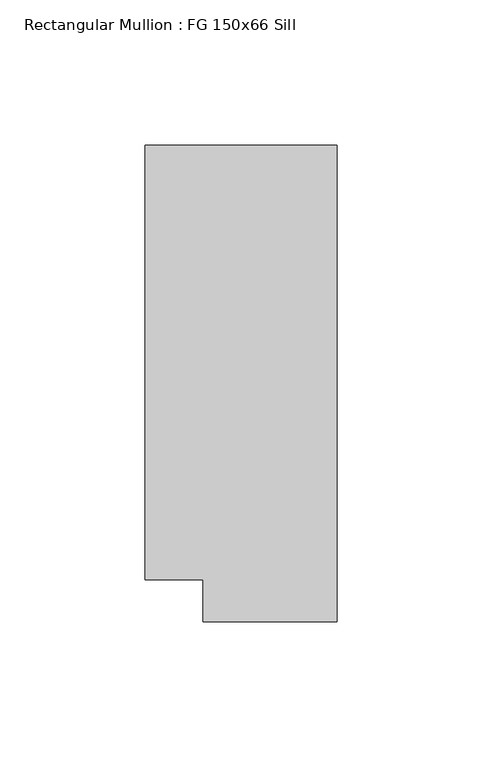
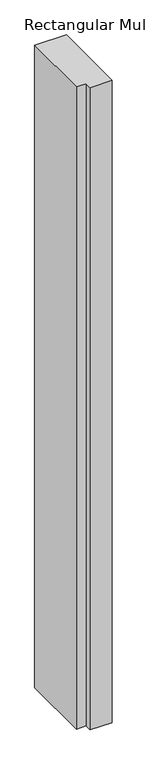
"""IFC4 building model written with IfcOpenShell, lengths in millimetres: member geometry, Rectangular Mullion : FG 150x66 Sill."""

import ifcopenshell
import ifcopenshell.guid

model = None  # the IFC model being written
_history = None  # IfcOwnerHistory: only IFC2X3 demands one
_inside = {}  # id of a spatial element -> (the spatial element, [elements in it])
_under = {}  # id of a project, library or spatial element -> (it, [spatial elements below it])
_declared = {}  # id of a project -> (the project, [libraries it declares])
_typed = {}  # id of a type object -> (the type object, [elements of that type])
_made_of = {}  # id of a material, layer set ... -> (it, [elements and type objects made of it])


def new_model(schema):
    """Start an empty IFC model of exactly this schema.

    Asked for "IFC4X3", IfcOpenShell would pick the latest addendum, in which some entities
    have other attributes; the version numbers below select the first issue.
    IFC2X3 requires an IfcOwnerHistory on every rooted entity: one is made here for all.
    """
    global model, _history
    if schema == "IFC4X3":
        model = ifcopenshell.file(schema_version=(4, 3, 0, 0))
    else:
        model = ifcopenshell.file(schema=schema)
    _inside.clear()
    _under.clear()
    _declared.clear()
    _typed.clear()
    _made_of.clear()
    _history = None
    if model.schema == "IFC2X3":
        org = make("IfcOrganization", Name="unknown")
        user = make(
            "IfcPersonAndOrganization",
            ThePerson=make("IfcPerson", FamilyName="unknown"),
            TheOrganization=org,
        )
        app = make(
            "IfcApplication",
            ApplicationDeveloper=org,
            Version="unknown",
            ApplicationFullName="unknown",
            ApplicationIdentifier="unknown",
        )
        _history = make(
            "IfcOwnerHistory",
            OwningUser=user,
            OwningApplication=app,
            ChangeAction="ADDED",
            CreationDate=0,
        )
    return model


def make(cls, **values):
    """One entity of the class cls with the attributes given. An attribute that is None is left unset."""
    return model.create_entity(
        cls, **{name: value for name, value in values.items() if value is not None}
    )


def rooted(cls, **values):
    """An entity with a GlobalId (a new one), such as an element, a storey or a relation."""
    return make(cls, GlobalId=ifcopenshell.guid.new(), OwnerHistory=_history, **values)


def si_unit(unit_type, name, prefix=None):
    """IfcSIUnit, for example si_unit("LENGTHUNIT", "METRE", prefix="MILLI")."""
    return make("IfcSIUnit", UnitType=unit_type, Prefix=prefix, Name=name)


def assignment(units):
    """IfcUnitAssignment: the units of a project."""
    return None if units is None else make("IfcUnitAssignment", Units=units)


def point(xyz):
    """IfcCartesianPoint."""
    return None if xyz is None else make("IfcCartesianPoint", Coordinates=xyz)


def direction(xyz):
    """IfcDirection."""
    return None if xyz is None else make("IfcDirection", DirectionRatios=xyz)


def frame(location, z_axis=None, x_axis=None):
    """IfcAxis2Placement3D, a coordinate frame: its origin and axes. An axis left out is left unset."""
    return make(
        "IfcAxis2Placement3D",
        Location=point(location),
        Axis=direction(z_axis),
        RefDirection=direction(x_axis),
    )


def origin():
    """The frame at (0, 0, 0) with its axes left unset."""
    return frame((0.0, 0.0, 0.0))


def place(relative_to, where):
    """IfcLocalPlacement: puts the frame where relative to a parent placement (None: the world)."""
    return make(
        "IfcLocalPlacement", PlacementRelTo=relative_to, RelativePlacement=where
    )


def context(
    kind, dimensions, precision=None, world=None, true_north=None, identifier=None
):
    """IfcGeometricRepresentationContext, for example the 3D "Model" context."""
    return make(
        "IfcGeometricRepresentationContext",
        ContextIdentifier=identifier,
        ContextType=kind,
        CoordinateSpaceDimension=dimensions,
        Precision=precision,
        WorldCoordinateSystem=world,
        TrueNorth=true_north,
    )


def project(units=None, contexts=None):
    """IfcProject with its units and contexts."""
    return rooted(
        "IfcProject",
        Name="project",
        RepresentationContexts=contexts,
        UnitsInContext=assignment(units),
    )


def spatial(cls, under=None, at=None, **own):
    """A site, building, storey or space (cls), placed at a placement, below another one or the project."""
    s = rooted(cls, ObjectPlacement=at, **own)
    if under is not None:
        _under.setdefault(under.id(), (under, []))[1].append(s)
    return s


def polyline(points):
    """IfcPolyline through the points."""
    return make("IfcPolyline", Points=[point(p) for p in points])


def outline(outer, holes=None, kind="AREA"):
    """IfcArbitraryClosedProfileDef: a profile drawn as a closed curve; with holes, ...WithVoids."""
    if holes is None:
        return make("IfcArbitraryClosedProfileDef", ProfileType=kind, OuterCurve=outer)
    return make(
        "IfcArbitraryProfileDefWithVoids",
        ProfileType=kind,
        OuterCurve=outer,
        InnerCurves=holes,
    )


def extrude(swept, where, along, depth):
    """IfcExtrudedAreaSolid: the profile swept, set in the frame where, extruded along a direction by depth."""
    return make(
        "IfcExtrudedAreaSolid",
        SweptArea=swept,
        Position=where,
        ExtrudedDirection=direction(along),
        Depth=depth,
    )


def shape(context_of_items, identifier, shape_type, items):
    """IfcShapeRepresentation: the items that make up one representation, for example the "Body"."""
    return make(
        "IfcShapeRepresentation",
        ContextOfItems=context_of_items,
        RepresentationIdentifier=identifier,
        RepresentationType=shape_type,
        Items=items,
    )


def source(mapping_origin, context_of_items, identifier, shape_type, items):
    """IfcRepresentationMap: a shape defined once, which mapped items show again and again."""
    return make(
        "IfcRepresentationMap",
        MappingOrigin=mapping_origin,
        MappedRepresentation=shape(context_of_items, identifier, shape_type, items),
    )


def transform(
    local_origin,
    x_axis=None,
    y_axis=None,
    z_axis=None,
    scale=None,
    scale2=None,
    scale3=None,
    uniform=True,
):
    """IfcCartesianTransformationOperator3D, or its non-uniform kind. x_axis, y_axis, z_axis: its Axis1, 2, 3."""
    if uniform:
        return make(
            "IfcCartesianTransformationOperator3D",
            Axis1=direction(x_axis),
            Axis2=direction(y_axis),
            LocalOrigin=point(local_origin),
            Scale=scale,
            Axis3=direction(z_axis),
        )
    return make(
        "IfcCartesianTransformationOperator3DnonUniform",
        Axis1=direction(x_axis),
        Axis2=direction(y_axis),
        LocalOrigin=point(local_origin),
        Scale=scale,
        Axis3=direction(z_axis),
        Scale2=scale2,
        Scale3=scale3,
    )


def mapped(mapping_source, mapping_target):
    """IfcMappedItem: shows the shape of a source again, moved by a transform."""
    return make(
        "IfcMappedItem", MappingSource=mapping_source, MappingTarget=mapping_target
    )


def made_of(thing, what):
    """Note that an element or type object is made of a material, layer set ...; save() writes the relation."""
    if what is not None:
        _made_of.setdefault(what.id(), (what, []))[1].append(thing)
    return thing


def element(
    cls,
    number,
    at=None,
    inside=None,
    cuts=None,
    type_object=None,
    material=None,
    context=None,
    identifier="Body",
    shape_type=None,
    held_by="IfcProductDefinitionShape",
    body=None,
    shapes=None,
    **own,
):
    """One element of the class cls, such as IfcWall. Its Tag is "e" and its number.

    at: its placement. inside: the storey or other place that contains it. cuts: it is an
    opening in that element (IfcRelVoidsElement). A single representation is given by context,
    identifier, shape_type and body (its items); several are given by shapes. held_by: the class
    of the entity that holds the representations. save() writes the other relations.
    """
    e = rooted(cls, Tag="e%d" % number, ObjectPlacement=at, **own)
    if body is not None:
        shapes = [shape(context, identifier, shape_type, body)]
    if shapes is not None:
        e.Representation = make(held_by, Representations=shapes)
    if inside is not None:
        _inside.setdefault(inside.id(), (inside, []))[1].append(e)
    if cuts is not None:
        rooted(
            "IfcRelVoidsElement", RelatingBuildingElement=cuts, RelatedOpeningElement=e
        )
    if type_object is not None:
        _typed.setdefault(type_object.id(), (type_object, []))[1].append(e)
    return made_of(e, material)


def aggregate(whole, parts):
    """IfcRelAggregates: a whole, such as a stair, and the parts it consists of."""
    return rooted("IfcRelAggregates", RelatingObject=whole, RelatedObjects=parts)


def save(model, path):
    """Write the relations noted so far, then the file.

    IfcRelAggregates (storeys below a building ...), IfcRelContainedInSpatialStructure (elements
    in a storey), IfcRelDefinesByType, IfcRelAssociatesMaterial and IfcRelDeclares: one each for
    every whole, place, type object, material and project.
    """
    for whole, parts in _under.values():
        aggregate(whole, parts)
    for where, things in _inside.values():
        rooted(
            "IfcRelContainedInSpatialStructure",
            RelatedElements=things,
            RelatingStructure=where,
        )
    for kind, things in _typed.values():
        rooted("IfcRelDefinesByType", RelatedObjects=things, RelatingType=kind)
    for what, things in _made_of.values():
        rooted("IfcRelAssociatesMaterial", RelatedObjects=things, RelatingMaterial=what)
    for by, libraries in _declared.values():
        rooted("IfcRelDeclares", RelatingContext=by, RelatedDefinitions=libraries)
    model.write(path)


def rectangular_mullion_fg_150x66_sill_fd60d1de(model_context):
    return source(origin(), model_context, "Body", "SweptSolid", [
        extrude(outline(polyline([(0.0, 75.0), (0.0, -89.0), (-46.0000284, -89.0), (-46.0000284, -74.5), (-65.9954662, -74.5), (-65.9954662, 75.0), (0.0, 75.0)])), frame((0.0, 0.0, -1407.5336396), z_axis=(0.0, 0.0, 1.0), x_axis=(1.0, 0.0, 0.0)), (0.0, 0.0, 1.0), 1407.5336396),
    ])


if __name__ == "__main__":
    model = new_model("IFC4")
    model_context = context("Model", 3, world=origin())
    ifc_project = project(units=[si_unit("LENGTHUNIT", "METRE", prefix="MILLI")], contexts=[model_context])
    site = spatial("IfcSite", under=ifc_project)
    building = spatial("IfcBuilding", under=site)
    placement = place(None, origin())
    rectangular_mullion_fg_150x66_sill_shape = rectangular_mullion_fg_150x66_sill_fd60d1de(model_context)
    element("IfcMember", 1, ObjectType="Rectangular Mullion : FG 150x66 Sill", at=placement, inside=building, context=model_context, shape_type="MappedRepresentation", body=[
        mapped(rectangular_mullion_fg_150x66_sill_shape, transform((0.0, 0.0, 0.0), x_axis=(1.0, 0.0, 0.0), y_axis=(0.0, 1.0, 0.0), z_axis=(0.0, 0.0, 1.0))),
    ])
    save(model, "model.ifc")
